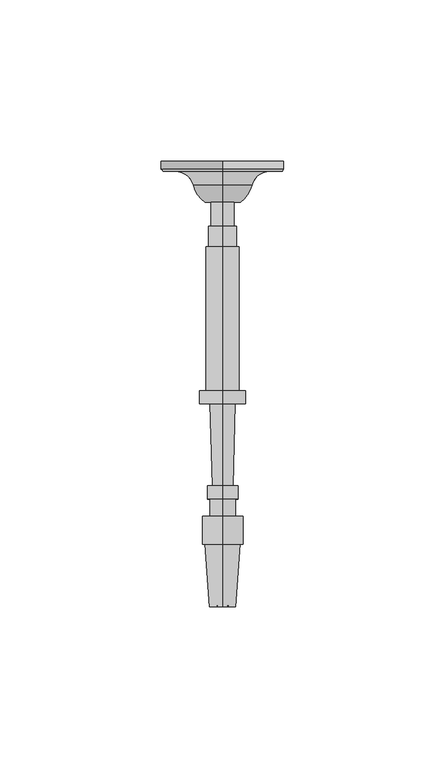
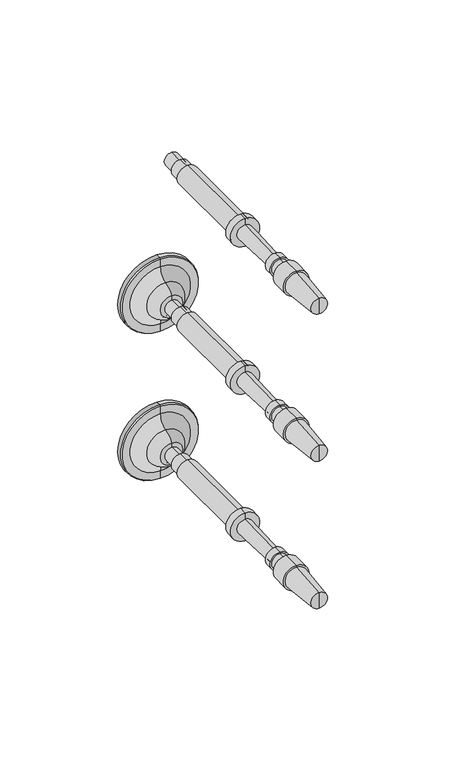
"""IFC4 building model written with IfcOpenShell, lengths in millimetres: railing geometry."""

from ifc_helpers import new_model, si_unit, point, frame, origin, place, context, project, spatial, polyline, circle_curve, ellipse_curve, trimmed, source, transform, mapped, element, save
from ifc_brep_helpers import plane_surface, cylinder_surface, revolved_surface, advanced_brep


def railing_364acd38(model_context):
    return source(origin(), model_context, "Body", "AdvancedBrep", [
        advanced_brep(
        [(4097.4568095, 20251.1146682, 33140.0282881), (4097.4568095, 20251.1146682, 33147.1720381), (4097.4568095, 20251.1146682, 33143.6001631), (4097.4568095, 20126.170779, 33143.6001631), (4097.4568095, 20125.8751146, 33147.6246235), (4097.4568095, 20125.8751146, 33139.5757028), (4097.4568095, 20145.2184786, 33149.045719), (4097.4568095, 20145.2184786, 33138.1546072), (4097.4568095, 20145.2184786, 33149.9386877), (4097.4568095, 20145.2184786, 33137.2616385), (4097.4568095, 20153.8505098, 33149.9386877), (4097.4568095, 20153.8505098, 33137.2616385), (4097.4568095, 20153.8505098, 33147.5574377), (4097.4568095, 20153.8505098, 33139.6428885), (4097.4568095, 20159.2083223, 33147.5574377), (4097.4568095, 20159.2083223, 33139.6428885), (4097.4568095, 20159.2083223, 33148.3511877), (4097.4568095, 20159.2083223, 33138.8491385), (4097.4568095, 20163.2762911, 33148.3511877), (4097.4568095, 20163.2762911, 33138.8491385), (4097.4568095, 20163.3203782, 33146.7643), (4097.4568095, 20163.3203782, 33140.4360262), (4097.4568095, 20188.7105814, 33147.4696944), (4097.4568095, 20188.7105814, 33139.7306319), (4097.4568095, 20188.7105814, 33150.7439131), (4097.4568095, 20188.7105814, 33136.4564131), (4097.4568095, 20192.6793314, 33150.7439131), (4097.4568095, 20192.6793314, 33136.4564131), (4097.4568095, 20192.6793314, 33148.7595381), (4097.4568095, 20192.6793314, 33138.4407881), (4097.4568095, 20237.4269877, 33148.7595381), (4097.4568095, 20237.4269877, 33138.4407881), (4097.4568095, 20237.4269877, 33147.9657881), (4097.4568095, 20237.4269877, 33139.2345381), (4097.4568095, 20243.7769877, 33147.9657881), (4097.4568095, 20243.7769877, 33139.2345381), (4097.4568095, 20243.7769877, 33147.1720381), (4097.4568095, 20243.7769877, 33140.0282881)],
        [
            (0, 1, circle_curve(frame((4097.4568095, 20251.1146682, 33143.6001631), z_axis=(0.0, 1.0, 0.0), x_axis=(0.0, 0.0, 1.0000000000000002)), 3.571875)),
            (1, 2),
            (2, 0),
            (1, 0, circle_curve(frame((4097.4568095, 20251.1146682, 33143.6001631), z_axis=(0.0, 1.0, 0.0), x_axis=(0.0, 0.0, 1.0000000000000002)), 3.571875)),
            (3, 4),
            (4, 5, circle_curve(frame((4097.4568095, 20125.8751146, 33143.6001631), z_axis=(0.0, -1.0, 0.0), x_axis=(0.0, 0.0, 1.0000000000000002)), 4.0244604)),
            (5, 3),
            (5, 4, circle_curve(frame((4097.4568095, 20125.8751146, 33143.6001631), z_axis=(0.0, -1.0, 0.0), x_axis=(0.0, 0.0, 1.0000000000000002)), 4.0244604)),
            (4, 6),
            (6, 7, circle_curve(frame((4097.4568095, 20145.2184786, 33143.6001631), z_axis=(0.0, -1.0, 0.0), x_axis=(0.0, 0.0, 1.0000000000000002)), 5.4455559)),
            (7, 5),
            (7, 6, circle_curve(frame((4097.4568095, 20145.2184786, 33143.6001631), z_axis=(0.0, -1.0, 0.0), x_axis=(0.0, 0.0, 1.0000000000000002)), 5.4455559)),
            (6, 8),
            (8, 9, circle_curve(frame((4097.4568095, 20145.2184786, 33143.6001631), z_axis=(0.0, -1.0, 0.0), x_axis=(0.0, 0.0, 1.0000000000000002)), 6.3385246)),
            (9, 7),
            (9, 8, circle_curve(frame((4097.4568095, 20145.2184786, 33143.6001631), z_axis=(0.0, -1.0, 0.0), x_axis=(0.0, 0.0, 1.0000000000000002)), 6.3385246)),
            (8, 10),
            (10, 11, circle_curve(frame((4097.4568095, 20153.8505098, 33143.6001631), z_axis=(0.0, -1.0, 0.0), x_axis=(0.0, 0.0, 1.0000000000000002)), 6.3385246)),
            (11, 9),
            (11, 10, circle_curve(frame((4097.4568095, 20153.8505098, 33143.6001631), z_axis=(0.0, -1.0, 0.0), x_axis=(0.0, 0.0, 1.0000000000000002)), 6.3385246)),
            (10, 12),
            (12, 13, circle_curve(frame((4097.4568095, 20153.8505098, 33143.6001631), z_axis=(0.0, -1.0, 0.0), x_axis=(0.0, 0.0, 1.0000000000000002)), 3.9572746)),
            (13, 11),
            (13, 12, circle_curve(frame((4097.4568095, 20153.8505098, 33143.6001631), z_axis=(0.0, -1.0, 0.0), x_axis=(0.0, 0.0, 1.0000000000000002)), 3.9572746)),
            (12, 14),
            (14, 15, circle_curve(frame((4097.4568095, 20159.2083223, 33143.6001631), z_axis=(0.0, -1.0, 0.0), x_axis=(0.0, 0.0, 1.0000000000000002)), 3.9572746)),
            (15, 13),
            (15, 14, circle_curve(frame((4097.4568095, 20159.2083223, 33143.6001631), z_axis=(0.0, -1.0, 0.0), x_axis=(0.0, 0.0, 1.0000000000000002)), 3.9572746)),
            (14, 16),
            (16, 17, circle_curve(frame((4097.4568095, 20159.2083223, 33143.6001631), z_axis=(0.0, -1.0, 0.0), x_axis=(0.0, 0.0, 1.0000000000000002)), 4.7510246)),
            (17, 15),
            (17, 16, circle_curve(frame((4097.4568095, 20159.2083223, 33143.6001631), z_axis=(0.0, -1.0, 0.0), x_axis=(0.0, 0.0, 1.0000000000000002)), 4.7510246)),
            (16, 18),
            (18, 19, circle_curve(frame((4097.4568095, 20163.2762911, 33143.6001631), z_axis=(0.0, -1.0, 0.0), x_axis=(0.0, 0.0, 1.0000000000000002)), 4.7510246)),
            (19, 17),
            (19, 18, circle_curve(frame((4097.4568095, 20163.2762911, 33143.6001631), z_axis=(0.0, -1.0, 0.0), x_axis=(0.0, 0.0, 1.0000000000000002)), 4.7510246)),
            (18, 20),
            (20, 21, circle_curve(frame((4097.4568095, 20163.3203782, 33143.6001631), z_axis=(0.0, -1.0, 0.0), x_axis=(0.0, 0.0, 1.0000000000000002)), 3.1641369)),
            (21, 19),
            (21, 20, circle_curve(frame((4097.4568095, 20163.3203782, 33143.6001631), z_axis=(0.0, -1.0, 0.0), x_axis=(0.0, 0.0, 1.0000000000000002)), 3.1641369)),
            (20, 22),
            (22, 23, circle_curve(frame((4097.4568095, 20188.7105814, 33143.6001631), z_axis=(0.0, -1.0, 0.0), x_axis=(0.0, 0.0, 1.0000000000000002)), 3.8695313)),
            (23, 21),
            (23, 22, circle_curve(frame((4097.4568095, 20188.7105814, 33143.6001631), z_axis=(0.0, -1.0, 0.0), x_axis=(0.0, 0.0, 1.0000000000000002)), 3.8695313)),
            (22, 24),
            (24, 25, circle_curve(frame((4097.4568095, 20188.7105814, 33143.6001631), z_axis=(0.0, -1.0, 0.0), x_axis=(0.0, 0.0, 1.0000000000000002)), 7.14375)),
            (25, 23),
            (25, 24, circle_curve(frame((4097.4568095, 20188.7105814, 33143.6001631), z_axis=(0.0, -1.0, 0.0), x_axis=(0.0, 0.0, 1.0000000000000002)), 7.14375)),
            (24, 26),
            (26, 27, circle_curve(frame((4097.4568095, 20192.6793314, 33143.6001631), z_axis=(0.0, -1.0, 0.0), x_axis=(0.0, 0.0, 1.0000000000000002)), 7.14375)),
            (27, 25),
            (27, 26, circle_curve(frame((4097.4568095, 20192.6793314, 33143.6001631), z_axis=(0.0, -1.0, 0.0), x_axis=(0.0, 0.0, 1.0000000000000002)), 7.14375)),
            (26, 28),
            (28, 29, circle_curve(frame((4097.4568095, 20192.6793314, 33143.6001631), z_axis=(0.0, -1.0, 0.0), x_axis=(0.0, 0.0, 1.0000000000000002)), 5.159375)),
            (29, 27),
            (29, 28, circle_curve(frame((4097.4568095, 20192.6793314, 33143.6001631), z_axis=(0.0, -1.0, 0.0), x_axis=(0.0, 0.0, 1.0000000000000002)), 5.159375)),
            (28, 30),
            (30, 31, circle_curve(frame((4097.4568095, 20237.4269877, 33143.6001631), z_axis=(0.0, -1.0, 0.0), x_axis=(0.0, 0.0, 1.0000000000000002)), 5.159375)),
            (31, 29),
            (31, 30, circle_curve(frame((4097.4568095, 20237.4269877, 33143.6001631), z_axis=(0.0, -1.0, 0.0), x_axis=(0.0, 0.0, 1.0000000000000002)), 5.159375)),
            (30, 32),
            (32, 33, circle_curve(frame((4097.4568095, 20237.4269877, 33143.6001631), z_axis=(0.0, -1.0, 0.0), x_axis=(0.0, 0.0, 1.0000000000000002)), 4.365625)),
            (33, 31),
            (33, 32, circle_curve(frame((4097.4568095, 20237.4269877, 33143.6001631), z_axis=(0.0, -1.0, 0.0), x_axis=(0.0, 0.0, 1.0000000000000002)), 4.365625)),
            (32, 34),
            (34, 35, circle_curve(frame((4097.4568095, 20243.7769877, 33143.6001631), z_axis=(0.0, -1.0, 0.0), x_axis=(0.0, 0.0, 1.0000000000000002)), 4.365625)),
            (35, 33),
            (35, 34, circle_curve(frame((4097.4568095, 20243.7769877, 33143.6001631), z_axis=(0.0, -1.0, 0.0), x_axis=(0.0, 0.0, 1.0000000000000002)), 4.365625)),
            (34, 36),
            (36, 37, circle_curve(frame((4097.4568095, 20243.7769877, 33143.6001631), z_axis=(0.0, -1.0, 0.0), x_axis=(0.0, 0.0, 1.0000000000000002)), 3.571875)),
            (37, 35),
            (37, 36, circle_curve(frame((4097.4568095, 20243.7769877, 33143.6001631), z_axis=(0.0, -1.0, 0.0), x_axis=(0.0, 0.0, 1.0000000000000002)), 3.571875)),
            (36, 1),
            (0, 37),
        ],
        [
            plane_surface(frame((4097.4568095, 20251.1146682, 33143.6001631), z_axis=(0.0, 1.0, 0.0), x_axis=(0.0, 0.0, 1.0))),
            revolved_surface(polyline([(4097.4568095, 20125.8751146, 33147.6246235), (4097.4568095, 20126.170779, 33143.6001631)]), (4097.4568095, 20126.170779, 33143.6001631), (0.0, -1.0, 0.0)),
            revolved_surface(polyline([(4097.4568095, 20145.2184786, 33149.045719), (4097.4568095, 20125.8751146, 33147.6246235)]), (4097.4568095, 20126.170779, 33143.6001631), (0.0, -1.0, 0.0)),
            plane_surface(frame((4097.4568095, 20145.2184786, 33143.6001631), z_axis=(0.0, -1.0, 0.0), x_axis=(0.0, 0.0, 1.0))),
            cylinder_surface(frame((4097.4568095, 20126.170779, 33143.6001631), z_axis=(0.0, -1.0, 0.0), x_axis=(0.0, 0.0, 1.0000000000000002)), 6.3385246),
            plane_surface(frame((4097.4568095, 20153.8505098, 33143.6001631), z_axis=(0.0, 1.0, 0.0), x_axis=(0.0, 0.0, 1.0))),
            cylinder_surface(frame((4097.4568095, 20126.170779, 33143.6001631), z_axis=(0.0, -1.0, 0.0), x_axis=(0.0, 0.0, 1.0000000000000002)), 3.9572746),
            plane_surface(frame((4097.4568095, 20159.2083223, 33143.6001631), z_axis=(0.0, -1.0, 0.0), x_axis=(0.0, 0.0, 1.0))),
            cylinder_surface(frame((4097.4568095, 20126.170779, 33143.6001631), z_axis=(0.0, -1.0, 0.0), x_axis=(0.0, 0.0, 1.0000000000000002)), 4.7510246),
            plane_surface(frame((4097.4568095, 20163.3203782, 33143.6001631), z_axis=(0.0, 1.0, 0.0), x_axis=(0.0, 0.0, 1.0))),
            revolved_surface(polyline([(4097.4568095, 20188.7105814, 33147.4696944), (4097.4568095, 20163.3203782, 33146.7643)]), (4097.4568095, 20126.170779, 33143.6001631), (0.0, -1.0, 0.0)),
            plane_surface(frame((4097.4568095, 20188.7105814, 33143.6001631), z_axis=(0.0, -1.0, 0.0), x_axis=(0.0, 0.0, 1.0))),
            cylinder_surface(frame((4097.4568095, 20126.170779, 33143.6001631), z_axis=(0.0, -1.0, 0.0), x_axis=(0.0, 0.0, 1.0000000000000002)), 7.14375),
            plane_surface(frame((4097.4568095, 20192.6793314, 33143.6001631), z_axis=(0.0, 1.0, 0.0), x_axis=(0.0, 0.0, 1.0))),
            cylinder_surface(frame((4097.4568095, 20126.170779, 33143.6001631), z_axis=(0.0, -1.0, 0.0), x_axis=(0.0, 0.0, 1.0000000000000002)), 5.159375),
            plane_surface(frame((4097.4568095, 20237.4269877, 33143.6001631), z_axis=(0.0, 1.0, 0.0), x_axis=(0.0, 0.0, 1.0))),
            cylinder_surface(frame((4097.4568095, 20126.170779, 33143.6001631), z_axis=(0.0, -1.0, 0.0), x_axis=(0.0, 0.0, 1.0000000000000002)), 4.365625),
            plane_surface(frame((4097.4568095, 20243.7769877, 33143.6001631), z_axis=(0.0, 1.0, 0.0), x_axis=(0.0, 0.0, 1.0))),
            cylinder_surface(frame((4097.4568095, 20126.170779, 33143.6001631), z_axis=(0.0, -1.0, 0.0), x_axis=(0.0, 0.0, 1.0000000000000002)), 3.571875),
        ],
        [
            (0, [[1, 2, 3]]),
            (0, [[4, -3, -2]]),
            (1, [[5, 6, 7]]),
            (1, [[-7, 8, -5]]),
            (2, [[-6, 9, 10, 11]]),
            (2, [[-8, -11, 12, -9]]),
            (3, [[-10, 13, 14, 15]]),
            (3, [[-12, -15, 16, -13]]),
            (4, [[-14, 17, 18, 19]]),
            (4, [[-16, -19, 20, -17]]),
            (5, [[-18, 21, 22, 23]]),
            (5, [[-20, -23, 24, -21]]),
            (6, [[-22, 25, 26, 27]]),
            (6, [[-24, -27, 28, -25]]),
            (7, [[-26, 29, 30, 31]]),
            (7, [[-28, -31, 32, -29]]),
            (8, [[-30, 33, 34, 35]]),
            (8, [[-32, -35, 36, -33]]),
            (9, [[-34, 37, 38, 39]]),
            (9, [[-36, -39, 40, -37]]),
            (10, [[-38, 41, 42, 43]]),
            (10, [[-40, -43, 44, -41]]),
            (11, [[-42, 45, 46, 47]]),
            (11, [[-44, -47, 48, -45]]),
            (12, [[-46, 49, 50, 51]]),
            (12, [[-48, -51, 52, -49]]),
            (13, [[-50, 53, 54, 55]]),
            (13, [[-52, -55, 56, -53]]),
            (14, [[-54, 57, 58, 59]]),
            (14, [[-56, -59, 60, -57]]),
            (15, [[-58, 61, 62, 63]]),
            (15, [[-60, -63, 64, -61]]),
            (16, [[-62, 65, 66, 67]]),
            (16, [[-64, -67, 68, -65]]),
            (17, [[-66, 69, 70, 71]]),
            (17, [[-68, -71, 72, -69]]),
            (18, [[-70, 73, -1, 74]]),
            (18, [[-72, -74, -4, -73]]),
        ],
    ),
        advanced_brep(
        [(4097.4568095, 20263.8073048, 33067.4001631), (4097.4568095, 20263.8073048, 33048.3501631), (4097.4568095, 20263.8073048, 33086.4501631), (4097.4568095, 20251.1146682, 33061.8769785), (4097.4568095, 20251.1146682, 33067.4001631), (4097.4568095, 20251.1146682, 33072.9233478), (4097.4568095, 20256.3907646, 33058.2720381), (4097.4568095, 20256.3907646, 33076.5282881), (4097.4568095, 20260.7563896, 33052.6458254), (4097.4568095, 20260.7563896, 33082.1545009), (4097.4568095, 20260.7563896, 33048.7762941), (4097.4568095, 20260.7563896, 33086.0240321), (4097.4568095, 20261.4260548, 33048.3501631), (4097.4568095, 20261.4260548, 33086.4501631)],
        [
            (0, 1),
            (1, 2, circle_curve(frame((4097.4568095, 20263.8073048, 33067.4001631), z_axis=(0.0, 1.0, 0.0), x_axis=(0.0, 0.0, 1.0)), 19.05)),
            (2, 0),
            (2, 1, circle_curve(frame((4097.4568095, 20263.8073048, 33067.4001631), z_axis=(0.0, 1.0, 0.0), x_axis=(0.0, 0.0, 1.0)), 19.05)),
            (3, 4),
            (4, 5),
            (5, 3, circle_curve(frame((4097.4568095, 20251.1146682, 33067.4001631), z_axis=(0.0, -1.0, 0.0), x_axis=(0.0, 0.0, 1.0)), 5.5231846)),
            (3, 5, circle_curve(frame((4097.4568095, 20251.1146682, 33067.4001631), z_axis=(0.0, -1.0, 0.0), x_axis=(0.0, 0.0, 1.0)), 5.5231846)),
            (6, 3, circle_curve(frame((4097.4568095, 20258.7151733, 33067.3374304), z_axis=(-1.0, 0.0, 0.0), x_axis=(0.0, -1.0, 0.0)), 9.3586438)),
            (5, 7, circle_curve(frame((4097.4568095, 20258.7151733, 33067.4628958), z_axis=(-1.0, 0.0, 0.0), x_axis=(0.0, -1.0, 0.0)), 9.3586438)),
            (7, 6, circle_curve(frame((4097.4568095, 20256.3907646, 33067.4001631), z_axis=(0.0, -1.0, 0.0), x_axis=(0.0, 0.0, 1.0)), 9.128125)),
            (6, 7, circle_curve(frame((4097.4568095, 20256.3907646, 33067.4001631), z_axis=(0.0, -1.0, 0.0), x_axis=(0.0, 0.0, 1.0)), 9.128125)),
            (8, 6, circle_curve(frame((4097.4568095, 20254.9481776, 33052.6458254), z_axis=(1.0, 0.0, 0.0), x_axis=(0.0, -1.0, 0.0)), 5.8082121)),
            (7, 9, circle_curve(frame((4097.4568095, 20254.9481776, 33082.1545009), z_axis=(1.0, 0.0, 0.0), x_axis=(0.0, -1.0, 0.0)), 5.8082121)),
            (9, 8, circle_curve(frame((4097.4568095, 20260.7563896, 33067.4001631), z_axis=(0.0, -1.0, 0.0), x_axis=(0.0, 0.0, 1.0)), 14.7543378)),
            (8, 9, circle_curve(frame((4097.4568095, 20260.7563896, 33067.4001631), z_axis=(0.0, -1.0, 0.0), x_axis=(0.0, 0.0, 1.0)), 14.7543378)),
            (10, 8),
            (9, 11),
            (11, 10, circle_curve(frame((4097.4568095, 20260.7563896, 33067.4001631), z_axis=(0.0, -1.0, 0.0), x_axis=(0.0, 0.0, 1.0)), 18.623869)),
            (10, 11, circle_curve(frame((4097.4568095, 20260.7563896, 33067.4001631), z_axis=(0.0, -1.0, 0.0), x_axis=(0.0, 0.0, 1.0)), 18.623869)),
            (12, 10),
            (11, 13),
            (13, 12, circle_curve(frame((4097.4568095, 20261.4260548, 33067.4001631), z_axis=(0.0, -1.0, 0.0), x_axis=(0.0, 0.0, 1.0)), 19.05)),
            (12, 13, circle_curve(frame((4097.4568095, 20261.4260548, 33067.4001631), z_axis=(0.0, -1.0, 0.0), x_axis=(0.0, 0.0, 1.0)), 19.05)),
            (1, 12),
            (13, 2),
        ],
        [
            plane_surface(frame((4097.4568095, 20263.8073048, 33067.4001631), z_axis=(0.0, 1.0, 0.0), x_axis=(0.0, 0.0, 1.0))),
            plane_surface(frame((4097.4568095, 20251.1146682, 33067.4001631), z_axis=(0.0, -1.0, 0.0), x_axis=(0.0, 0.0, 1.0))),
            revolved_surface(trimmed(ellipse_curve(frame((4097.4568095, 20258.7151733, 33067.4628958), z_axis=(-1.0, 0.0, 0.0), x_axis=(0.0, -1.0, 0.0)), 9.3586438, 9.3586438), [point((4097.4568095, 20251.1146682, 33072.9233478))], [point((4097.4568095, 20256.3907646, 33076.5282881))], True, "CARTESIAN"), (4097.4568095, 20263.8073048, 33067.4001631), (0.0, 1.0, 0.0)),
            revolved_surface(trimmed(ellipse_curve(frame((4097.4568095, 20254.9481776, 33082.1545009), z_axis=(1.0, 0.0, 0.0), x_axis=(0.0, -1.0, 0.0)), 5.8082121, 5.8082121), [point((4097.4568095, 20256.3907646, 33076.5282881))], [point((4097.4568095, 20260.7563896, 33082.1545009))], True, "CARTESIAN"), (4097.4568095, 20263.8073048, 33067.4001631), (0.0, 1.0, 0.0)),
            plane_surface(frame((4097.4568095, 20260.7563896, 33067.4001631), z_axis=(0.0, -1.0, 0.0), x_axis=(0.0, 0.0, 1.0))),
            revolved_surface(polyline([(4097.4568095, 20260.7563896, 33086.0240321), (4097.4568095, 20261.4260548, 33086.4501631)]), (4097.4568095, 20263.8073048, 33067.4001631), (0.0, 1.0, 0.0)),
            cylinder_surface(frame((4097.4568095, 20263.8073048, 33067.4001631), z_axis=(0.0, 1.0, 0.0), x_axis=(0.0, 0.0, 1.0)), 19.05),
        ],
        [
            (0, [[1, 2, 3]]),
            (0, [[-3, 4, -1]]),
            (1, [[5, 6, 7]]),
            (1, [[-6, -5, 8]]),
            (2, [[9, -7, 10, 11]]),
            (2, [[-10, -8, -9, 12]]),
            (3, [[13, -11, 14, 15]]),
            (3, [[-14, -12, -13, 16]]),
            (4, [[17, -15, 18, 19]]),
            (4, [[-18, -16, -17, 20]]),
            (5, [[21, -19, 22, 23]]),
            (5, [[-22, -20, -21, 24]]),
            (6, [[25, -23, 26, -2]]),
            (6, [[-26, -24, -25, -4]]),
        ],
    ),
        advanced_brep(
        [(4097.4568095, 20251.1146682, 33063.8282881), (4097.4568095, 20251.1146682, 33070.9720381), (4097.4568095, 20251.1146682, 33067.4001631), (4097.4568095, 20126.170779, 33067.4001631), (4097.4568095, 20125.8751146, 33071.4246235), (4097.4568095, 20125.8751146, 33063.3757028), (4097.4568095, 20145.2184786, 33072.845719), (4097.4568095, 20145.2184786, 33061.9546072), (4097.4568095, 20145.2184786, 33073.7386877), (4097.4568095, 20145.2184786, 33061.0616385), (4097.4568095, 20153.8505098, 33073.7386877), (4097.4568095, 20153.8505098, 33061.0616385), (4097.4568095, 20153.8505098, 33071.3574377), (4097.4568095, 20153.8505098, 33063.4428885), (4097.4568095, 20159.2083223, 33071.3574377), (4097.4568095, 20159.2083223, 33063.4428885), (4097.4568095, 20159.2083223, 33072.1511877), (4097.4568095, 20159.2083223, 33062.6491385), (4097.4568095, 20163.2762911, 33072.1511877), (4097.4568095, 20163.2762911, 33062.6491385), (4097.4568095, 20163.3203782, 33070.5643), (4097.4568095, 20163.3203782, 33064.2360262), (4097.4568095, 20188.7105814, 33071.2696944), (4097.4568095, 20188.7105814, 33063.5306319), (4097.4568095, 20188.7105814, 33074.5439131), (4097.4568095, 20188.7105814, 33060.2564131), (4097.4568095, 20192.6793314, 33074.5439131), (4097.4568095, 20192.6793314, 33060.2564131), (4097.4568095, 20192.6793314, 33072.5595381), (4097.4568095, 20192.6793314, 33062.2407881), (4097.4568095, 20237.4269877, 33072.5595381), (4097.4568095, 20237.4269877, 33062.2407881), (4097.4568095, 20237.4269877, 33071.7657881), (4097.4568095, 20237.4269877, 33063.0345381), (4097.4568095, 20243.7769877, 33071.7657881), (4097.4568095, 20243.7769877, 33063.0345381), (4097.4568095, 20243.7769877, 33070.9720381), (4097.4568095, 20243.7769877, 33063.8282881)],
        [
            (0, 1, circle_curve(frame((4097.4568095, 20251.1146682, 33067.4001631), z_axis=(0.0, 1.0, 0.0), x_axis=(0.0, 0.0, 1.0000000000000002)), 3.571875)),
            (1, 2),
            (2, 0),
            (1, 0, circle_curve(frame((4097.4568095, 20251.1146682, 33067.4001631), z_axis=(0.0, 1.0, 0.0), x_axis=(0.0, 0.0, 1.0000000000000002)), 3.571875)),
            (3, 4),
            (4, 5, circle_curve(frame((4097.4568095, 20125.8751146, 33067.4001631), z_axis=(0.0, -1.0, 0.0), x_axis=(0.0, 0.0, 1.0000000000000002)), 4.0244604)),
            (5, 3),
            (5, 4, circle_curve(frame((4097.4568095, 20125.8751146, 33067.4001631), z_axis=(0.0, -1.0, 0.0), x_axis=(0.0, 0.0, 1.0000000000000002)), 4.0244604)),
            (4, 6),
            (6, 7, circle_curve(frame((4097.4568095, 20145.2184786, 33067.4001631), z_axis=(0.0, -1.0, 0.0), x_axis=(0.0, 0.0, 1.0000000000000002)), 5.4455559)),
            (7, 5),
            (7, 6, circle_curve(frame((4097.4568095, 20145.2184786, 33067.4001631), z_axis=(0.0, -1.0, 0.0), x_axis=(0.0, 0.0, 1.0000000000000002)), 5.4455559)),
            (6, 8),
            (8, 9, circle_curve(frame((4097.4568095, 20145.2184786, 33067.4001631), z_axis=(0.0, -1.0, 0.0), x_axis=(0.0, 0.0, 1.0000000000000002)), 6.3385246)),
            (9, 7),
            (9, 8, circle_curve(frame((4097.4568095, 20145.2184786, 33067.4001631), z_axis=(0.0, -1.0, 0.0), x_axis=(0.0, 0.0, 1.0000000000000002)), 6.3385246)),
            (8, 10),
            (10, 11, circle_curve(frame((4097.4568095, 20153.8505098, 33067.4001631), z_axis=(0.0, -1.0, 0.0), x_axis=(0.0, 0.0, 1.0000000000000002)), 6.3385246)),
            (11, 9),
            (11, 10, circle_curve(frame((4097.4568095, 20153.8505098, 33067.4001631), z_axis=(0.0, -1.0, 0.0), x_axis=(0.0, 0.0, 1.0000000000000002)), 6.3385246)),
            (10, 12),
            (12, 13, circle_curve(frame((4097.4568095, 20153.8505098, 33067.4001631), z_axis=(0.0, -1.0, 0.0), x_axis=(0.0, 0.0, 1.0000000000000002)), 3.9572746)),
            (13, 11),
            (13, 12, circle_curve(frame((4097.4568095, 20153.8505098, 33067.4001631), z_axis=(0.0, -1.0, 0.0), x_axis=(0.0, 0.0, 1.0000000000000002)), 3.9572746)),
            (12, 14),
            (14, 15, circle_curve(frame((4097.4568095, 20159.2083223, 33067.4001631), z_axis=(0.0, -1.0, 0.0), x_axis=(0.0, 0.0, 1.0000000000000002)), 3.9572746)),
            (15, 13),
            (15, 14, circle_curve(frame((4097.4568095, 20159.2083223, 33067.4001631), z_axis=(0.0, -1.0, 0.0), x_axis=(0.0, 0.0, 1.0000000000000002)), 3.9572746)),
            (14, 16),
            (16, 17, circle_curve(frame((4097.4568095, 20159.2083223, 33067.4001631), z_axis=(0.0, -1.0, 0.0), x_axis=(0.0, 0.0, 1.0000000000000002)), 4.7510246)),
            (17, 15),
            (17, 16, circle_curve(frame((4097.4568095, 20159.2083223, 33067.4001631), z_axis=(0.0, -1.0, 0.0), x_axis=(0.0, 0.0, 1.0000000000000002)), 4.7510246)),
            (16, 18),
            (18, 19, circle_curve(frame((4097.4568095, 20163.2762911, 33067.4001631), z_axis=(0.0, -1.0, 0.0), x_axis=(0.0, 0.0, 1.0000000000000002)), 4.7510246)),
            (19, 17),
            (19, 18, circle_curve(frame((4097.4568095, 20163.2762911, 33067.4001631), z_axis=(0.0, -1.0, 0.0), x_axis=(0.0, 0.0, 1.0000000000000002)), 4.7510246)),
            (18, 20),
            (20, 21, circle_curve(frame((4097.4568095, 20163.3203782, 33067.4001631), z_axis=(0.0, -1.0, 0.0), x_axis=(0.0, 0.0, 1.0000000000000002)), 3.1641369)),
            (21, 19),
            (21, 20, circle_curve(frame((4097.4568095, 20163.3203782, 33067.4001631), z_axis=(0.0, -1.0, 0.0), x_axis=(0.0, 0.0, 1.0000000000000002)), 3.1641369)),
            (20, 22),
            (22, 23, circle_curve(frame((4097.4568095, 20188.7105814, 33067.4001631), z_axis=(0.0, -1.0, 0.0), x_axis=(0.0, 0.0, 1.0000000000000002)), 3.8695313)),
            (23, 21),
            (23, 22, circle_curve(frame((4097.4568095, 20188.7105814, 33067.4001631), z_axis=(0.0, -1.0, 0.0), x_axis=(0.0, 0.0, 1.0000000000000002)), 3.8695313)),
            (22, 24),
            (24, 25, circle_curve(frame((4097.4568095, 20188.7105814, 33067.4001631), z_axis=(0.0, -1.0, 0.0), x_axis=(0.0, 0.0, 1.0000000000000002)), 7.14375)),
            (25, 23),
            (25, 24, circle_curve(frame((4097.4568095, 20188.7105814, 33067.4001631), z_axis=(0.0, -1.0, 0.0), x_axis=(0.0, 0.0, 1.0000000000000002)), 7.14375)),
            (24, 26),
            (26, 27, circle_curve(frame((4097.4568095, 20192.6793314, 33067.4001631), z_axis=(0.0, -1.0, 0.0), x_axis=(0.0, 0.0, 1.0000000000000002)), 7.14375)),
            (27, 25),
            (27, 26, circle_curve(frame((4097.4568095, 20192.6793314, 33067.4001631), z_axis=(0.0, -1.0, 0.0), x_axis=(0.0, 0.0, 1.0000000000000002)), 7.14375)),
            (26, 28),
            (28, 29, circle_curve(frame((4097.4568095, 20192.6793314, 33067.4001631), z_axis=(0.0, -1.0, 0.0), x_axis=(0.0, 0.0, 1.0000000000000002)), 5.159375)),
            (29, 27),
            (29, 28, circle_curve(frame((4097.4568095, 20192.6793314, 33067.4001631), z_axis=(0.0, -1.0, 0.0), x_axis=(0.0, 0.0, 1.0000000000000002)), 5.159375)),
            (28, 30),
            (30, 31, circle_curve(frame((4097.4568095, 20237.4269877, 33067.4001631), z_axis=(0.0, -1.0, 0.0), x_axis=(0.0, 0.0, 1.0000000000000002)), 5.159375)),
            (31, 29),
            (31, 30, circle_curve(frame((4097.4568095, 20237.4269877, 33067.4001631), z_axis=(0.0, -1.0, 0.0), x_axis=(0.0, 0.0, 1.0000000000000002)), 5.159375)),
            (30, 32),
            (32, 33, circle_curve(frame((4097.4568095, 20237.4269877, 33067.4001631), z_axis=(0.0, -1.0, 0.0), x_axis=(0.0, 0.0, 1.0000000000000002)), 4.365625)),
            (33, 31),
            (33, 32, circle_curve(frame((4097.4568095, 20237.4269877, 33067.4001631), z_axis=(0.0, -1.0, 0.0), x_axis=(0.0, 0.0, 1.0000000000000002)), 4.365625)),
            (32, 34),
            (34, 35, circle_curve(frame((4097.4568095, 20243.7769877, 33067.4001631), z_axis=(0.0, -1.0, 0.0), x_axis=(0.0, 0.0, 1.0000000000000002)), 4.365625)),
            (35, 33),
            (35, 34, circle_curve(frame((4097.4568095, 20243.7769877, 33067.4001631), z_axis=(0.0, -1.0, 0.0), x_axis=(0.0, 0.0, 1.0000000000000002)), 4.365625)),
            (34, 36),
            (36, 37, circle_curve(frame((4097.4568095, 20243.7769877, 33067.4001631), z_axis=(0.0, -1.0, 0.0), x_axis=(0.0, 0.0, 1.0000000000000002)), 3.571875)),
            (37, 35),
            (37, 36, circle_curve(frame((4097.4568095, 20243.7769877, 33067.4001631), z_axis=(0.0, -1.0, 0.0), x_axis=(0.0, 0.0, 1.0000000000000002)), 3.571875)),
            (36, 1),
            (0, 37),
        ],
        [
            plane_surface(frame((4097.4568095, 20251.1146682, 33067.4001631), z_axis=(0.0, 1.0, 0.0), x_axis=(0.0, 0.0, 1.0))),
            revolved_surface(polyline([(4097.4568095, 20125.8751146, 33071.4246235), (4097.4568095, 20126.170779, 33067.4001631)]), (4097.4568095, 20126.170779, 33067.4001631), (0.0, -1.0, 0.0)),
            revolved_surface(polyline([(4097.4568095, 20145.2184786, 33072.845719), (4097.4568095, 20125.8751146, 33071.4246235)]), (4097.4568095, 20126.170779, 33067.4001631), (0.0, -1.0, 0.0)),
            plane_surface(frame((4097.4568095, 20145.2184786, 33067.4001631), z_axis=(0.0, -1.0, 0.0), x_axis=(0.0, 0.0, 1.0))),
            cylinder_surface(frame((4097.4568095, 20126.170779, 33067.4001631), z_axis=(0.0, -1.0, 0.0), x_axis=(0.0, 0.0, 1.0000000000000002)), 6.3385246),
            plane_surface(frame((4097.4568095, 20153.8505098, 33067.4001631), z_axis=(0.0, 1.0, 0.0), x_axis=(0.0, 0.0, 1.0))),
            cylinder_surface(frame((4097.4568095, 20126.170779, 33067.4001631), z_axis=(0.0, -1.0, 0.0), x_axis=(0.0, 0.0, 1.0000000000000002)), 3.9572746),
            plane_surface(frame((4097.4568095, 20159.2083223, 33067.4001631), z_axis=(0.0, -1.0, 0.0), x_axis=(0.0, 0.0, 1.0))),
            cylinder_surface(frame((4097.4568095, 20126.170779, 33067.4001631), z_axis=(0.0, -1.0, 0.0), x_axis=(0.0, 0.0, 1.0000000000000002)), 4.7510246),
            plane_surface(frame((4097.4568095, 20163.3203782, 33067.4001631), z_axis=(0.0, 1.0, 0.0), x_axis=(0.0, 0.0, 1.0))),
            revolved_surface(polyline([(4097.4568095, 20188.7105814, 33071.2696944), (4097.4568095, 20163.3203782, 33070.5643)]), (4097.4568095, 20126.170779, 33067.4001631), (0.0, -1.0, 0.0)),
            plane_surface(frame((4097.4568095, 20188.7105814, 33067.4001631), z_axis=(0.0, -1.0, 0.0), x_axis=(0.0, 0.0, 1.0))),
            cylinder_surface(frame((4097.4568095, 20126.170779, 33067.4001631), z_axis=(0.0, -1.0, 0.0), x_axis=(0.0, 0.0, 1.0000000000000002)), 7.14375),
            plane_surface(frame((4097.4568095, 20192.6793314, 33067.4001631), z_axis=(0.0, 1.0, 0.0), x_axis=(0.0, 0.0, 1.0))),
            cylinder_surface(frame((4097.4568095, 20126.170779, 33067.4001631), z_axis=(0.0, -1.0, 0.0), x_axis=(0.0, 0.0, 1.0000000000000002)), 5.159375),
            plane_surface(frame((4097.4568095, 20237.4269877, 33067.4001631), z_axis=(0.0, 1.0, 0.0), x_axis=(0.0, 0.0, 1.0))),
            cylinder_surface(frame((4097.4568095, 20126.170779, 33067.4001631), z_axis=(0.0, -1.0, 0.0), x_axis=(0.0, 0.0, 1.0000000000000002)), 4.365625),
            plane_surface(frame((4097.4568095, 20243.7769877, 33067.4001631), z_axis=(0.0, 1.0, 0.0), x_axis=(0.0, 0.0, 1.0))),
            cylinder_surface(frame((4097.4568095, 20126.170779, 33067.4001631), z_axis=(0.0, -1.0, 0.0), x_axis=(0.0, 0.0, 1.0000000000000002)), 3.571875),
        ],
        [
            (0, [[1, 2, 3]]),
            (0, [[4, -3, -2]]),
            (1, [[5, 6, 7]]),
            (1, [[-7, 8, -5]]),
            (2, [[-6, 9, 10, 11]]),
            (2, [[-8, -11, 12, -9]]),
            (3, [[-10, 13, 14, 15]]),
            (3, [[-12, -15, 16, -13]]),
            (4, [[-14, 17, 18, 19]]),
            (4, [[-16, -19, 20, -17]]),
            (5, [[-18, 21, 22, 23]]),
            (5, [[-20, -23, 24, -21]]),
            (6, [[-22, 25, 26, 27]]),
            (6, [[-24, -27, 28, -25]]),
            (7, [[-26, 29, 30, 31]]),
            (7, [[-28, -31, 32, -29]]),
            (8, [[-30, 33, 34, 35]]),
            (8, [[-32, -35, 36, -33]]),
            (9, [[-34, 37, 38, 39]]),
            (9, [[-36, -39, 40, -37]]),
            (10, [[-38, 41, 42, 43]]),
            (10, [[-40, -43, 44, -41]]),
            (11, [[-42, 45, 46, 47]]),
            (11, [[-44, -47, 48, -45]]),
            (12, [[-46, 49, 50, 51]]),
            (12, [[-48, -51, 52, -49]]),
            (13, [[-50, 53, 54, 55]]),
            (13, [[-52, -55, 56, -53]]),
            (14, [[-54, 57, 58, 59]]),
            (14, [[-56, -59, 60, -57]]),
            (15, [[-58, 61, 62, 63]]),
            (15, [[-60, -63, 64, -61]]),
            (16, [[-62, 65, 66, 67]]),
            (16, [[-64, -67, 68, -65]]),
            (17, [[-66, 69, 70, 71]]),
            (17, [[-68, -71, 72, -69]]),
            (18, [[-70, 73, -1, 74]]),
            (18, [[-72, -74, -4, -73]]),
        ],
    ),
        advanced_brep(
        [(4097.4568095, 20263.8073048, 32991.2001631), (4097.4568095, 20263.8073048, 32972.1501631), (4097.4568095, 20263.8073048, 33010.2501631), (4097.4568095, 20251.1146682, 32985.6769785), (4097.4568095, 20251.1146682, 32991.2001631), (4097.4568095, 20251.1146682, 32996.7233478), (4097.4568095, 20256.3907646, 32982.0720381), (4097.4568095, 20256.3907646, 33000.3282881), (4097.4568095, 20260.7563896, 32976.4458254), (4097.4568095, 20260.7563896, 33005.9545009), (4097.4568095, 20260.7563896, 32972.5762941), (4097.4568095, 20260.7563896, 33009.8240321), (4097.4568095, 20261.4260548, 32972.1501631), (4097.4568095, 20261.4260548, 33010.2501631)],
        [
            (0, 1),
            (1, 2, circle_curve(frame((4097.4568095, 20263.8073048, 32991.2001631), z_axis=(0.0, 1.0, 0.0), x_axis=(0.0, 0.0, 1.0)), 19.05)),
            (2, 0),
            (2, 1, circle_curve(frame((4097.4568095, 20263.8073048, 32991.2001631), z_axis=(0.0, 1.0, 0.0), x_axis=(0.0, 0.0, 1.0)), 19.05)),
            (3, 4),
            (4, 5),
            (5, 3, circle_curve(frame((4097.4568095, 20251.1146682, 32991.2001631), z_axis=(0.0, -1.0, 0.0), x_axis=(0.0, 0.0, 1.0)), 5.5231846)),
            (3, 5, circle_curve(frame((4097.4568095, 20251.1146682, 32991.2001631), z_axis=(0.0, -1.0, 0.0), x_axis=(0.0, 0.0, 1.0)), 5.5231846)),
            (6, 3, circle_curve(frame((4097.4568095, 20258.7151733, 32991.1374304), z_axis=(-1.0, 0.0, 0.0), x_axis=(0.0, -1.0, 0.0)), 9.3586438)),
            (5, 7, circle_curve(frame((4097.4568095, 20258.7151733, 32991.2628958), z_axis=(-1.0, 0.0, 0.0), x_axis=(0.0, -1.0, 0.0)), 9.3586438)),
            (7, 6, circle_curve(frame((4097.4568095, 20256.3907646, 32991.2001631), z_axis=(0.0, -1.0, 0.0), x_axis=(0.0, 0.0, 1.0)), 9.128125)),
            (6, 7, circle_curve(frame((4097.4568095, 20256.3907646, 32991.2001631), z_axis=(0.0, -1.0, 0.0), x_axis=(0.0, 0.0, 1.0)), 9.128125)),
            (8, 6, circle_curve(frame((4097.4568095, 20254.9481776, 32976.4458254), z_axis=(1.0, 0.0, 0.0), x_axis=(0.0, -1.0, 0.0)), 5.8082121)),
            (7, 9, circle_curve(frame((4097.4568095, 20254.9481776, 33005.9545009), z_axis=(1.0, 0.0, 0.0), x_axis=(0.0, -1.0, 0.0)), 5.8082121)),
            (9, 8, circle_curve(frame((4097.4568095, 20260.7563896, 32991.2001631), z_axis=(0.0, -1.0, 0.0), x_axis=(0.0, 0.0, 1.0)), 14.7543378)),
            (8, 9, circle_curve(frame((4097.4568095, 20260.7563896, 32991.2001631), z_axis=(0.0, -1.0, 0.0), x_axis=(0.0, 0.0, 1.0)), 14.7543378)),
            (10, 8),
            (9, 11),
            (11, 10, circle_curve(frame((4097.4568095, 20260.7563896, 32991.2001631), z_axis=(0.0, -1.0, 0.0), x_axis=(0.0, 0.0, 1.0)), 18.623869)),
            (10, 11, circle_curve(frame((4097.4568095, 20260.7563896, 32991.2001631), z_axis=(0.0, -1.0, 0.0), x_axis=(0.0, 0.0, 1.0)), 18.623869)),
            (12, 10),
            (11, 13),
            (13, 12, circle_curve(frame((4097.4568095, 20261.4260548, 32991.2001631), z_axis=(0.0, -1.0, 0.0), x_axis=(0.0, 0.0, 1.0)), 19.05)),
            (12, 13, circle_curve(frame((4097.4568095, 20261.4260548, 32991.2001631), z_axis=(0.0, -1.0, 0.0), x_axis=(0.0, 0.0, 1.0)), 19.05)),
            (1, 12),
            (13, 2),
        ],
        [
            plane_surface(frame((4097.4568095, 20263.8073048, 32991.2001631), z_axis=(0.0, 1.0, 0.0), x_axis=(0.0, 0.0, 1.0))),
            plane_surface(frame((4097.4568095, 20251.1146682, 32991.2001631), z_axis=(0.0, -1.0, 0.0), x_axis=(0.0, 0.0, 1.0))),
            revolved_surface(trimmed(ellipse_curve(frame((4097.4568095, 20258.7151733, 32991.2628958), z_axis=(-1.0, 0.0, 0.0), x_axis=(0.0, -1.0, 0.0)), 9.3586438, 9.3586438), [point((4097.4568095, 20251.1146682, 32996.7233478))], [point((4097.4568095, 20256.3907646, 33000.3282881))], True, "CARTESIAN"), (4097.4568095, 20263.8073048, 32991.2001631), (0.0, 1.0, 0.0)),
            revolved_surface(trimmed(ellipse_curve(frame((4097.4568095, 20254.9481776, 33005.9545009), z_axis=(1.0, 0.0, 0.0), x_axis=(0.0, -1.0, 0.0)), 5.8082121, 5.8082121), [point((4097.4568095, 20256.3907646, 33000.3282881))], [point((4097.4568095, 20260.7563896, 33005.9545009))], True, "CARTESIAN"), (4097.4568095, 20263.8073048, 32991.2001631), (0.0, 1.0, 0.0)),
            plane_surface(frame((4097.4568095, 20260.7563896, 32991.2001631), z_axis=(0.0, -1.0, 0.0), x_axis=(0.0, 0.0, 1.0))),
            revolved_surface(polyline([(4097.4568095, 20260.7563896, 33009.8240321), (4097.4568095, 20261.4260548, 33010.2501631)]), (4097.4568095, 20263.8073048, 32991.2001631), (0.0, 1.0, 0.0)),
            cylinder_surface(frame((4097.4568095, 20263.8073048, 32991.2001631), z_axis=(0.0, 1.0, 0.0), x_axis=(0.0, 0.0, 1.0)), 19.05),
        ],
        [
            (0, [[1, 2, 3]]),
            (0, [[-3, 4, -1]]),
            (1, [[5, 6, 7]]),
            (1, [[-6, -5, 8]]),
            (2, [[9, -7, 10, 11]]),
            (2, [[-10, -8, -9, 12]]),
            (3, [[13, -11, 14, 15]]),
            (3, [[-14, -12, -13, 16]]),
            (4, [[17, -15, 18, 19]]),
            (4, [[-18, -16, -17, 20]]),
            (5, [[21, -19, 22, 23]]),
            (5, [[-22, -20, -21, 24]]),
            (6, [[25, -23, 26, -2]]),
            (6, [[-26, -24, -25, -4]]),
        ],
    ),
        advanced_brep(
        [(4097.4568095, 20251.1146682, 32987.6282881), (4097.4568095, 20251.1146682, 32994.7720381), (4097.4568095, 20251.1146682, 32991.2001631), (4097.4568095, 20126.170779, 32991.2001631), (4097.4568095, 20125.8751146, 32995.2246235), (4097.4568095, 20125.8751146, 32987.1757028), (4097.4568095, 20145.2184786, 32996.645719), (4097.4568095, 20145.2184786, 32985.7546072), (4097.4568095, 20145.2184786, 32997.5386877), (4097.4568095, 20145.2184786, 32984.8616385), (4097.4568095, 20153.8505098, 32997.5386877), (4097.4568095, 20153.8505098, 32984.8616385), (4097.4568095, 20153.8505098, 32995.1574377), (4097.4568095, 20153.8505098, 32987.2428885), (4097.4568095, 20159.2083223, 32995.1574377), (4097.4568095, 20159.2083223, 32987.2428885), (4097.4568095, 20159.2083223, 32995.9511877), (4097.4568095, 20159.2083223, 32986.4491385), (4097.4568095, 20163.2762911, 32995.9511877), (4097.4568095, 20163.2762911, 32986.4491385), (4097.4568095, 20163.3203782, 32994.3643), (4097.4568095, 20163.3203782, 32988.0360262), (4097.4568095, 20188.7105814, 32995.0696944), (4097.4568095, 20188.7105814, 32987.3306319), (4097.4568095, 20188.7105814, 32998.3439131), (4097.4568095, 20188.7105814, 32984.0564131), (4097.4568095, 20192.6793314, 32998.3439131), (4097.4568095, 20192.6793314, 32984.0564131), (4097.4568095, 20192.6793314, 32996.3595381), (4097.4568095, 20192.6793314, 32986.0407881), (4097.4568095, 20237.4269877, 32996.3595381), (4097.4568095, 20237.4269877, 32986.0407881), (4097.4568095, 20237.4269877, 32995.5657881), (4097.4568095, 20237.4269877, 32986.8345381), (4097.4568095, 20243.7769877, 32995.5657881), (4097.4568095, 20243.7769877, 32986.8345381), (4097.4568095, 20243.7769877, 32994.7720381), (4097.4568095, 20243.7769877, 32987.6282881)],
        [
            (0, 1, circle_curve(frame((4097.4568095, 20251.1146682, 32991.2001631), z_axis=(0.0, 1.0, 0.0), x_axis=(0.0, 0.0, 1.0000000000000002)), 3.571875)),
            (1, 2),
            (2, 0),
            (1, 0, circle_curve(frame((4097.4568095, 20251.1146682, 32991.2001631), z_axis=(0.0, 1.0, 0.0), x_axis=(0.0, 0.0, 1.0000000000000002)), 3.571875)),
            (3, 4),
            (4, 5, circle_curve(frame((4097.4568095, 20125.8751146, 32991.2001631), z_axis=(0.0, -1.0, 0.0), x_axis=(0.0, 0.0, 1.0000000000000002)), 4.0244604)),
            (5, 3),
            (5, 4, circle_curve(frame((4097.4568095, 20125.8751146, 32991.2001631), z_axis=(0.0, -1.0, 0.0), x_axis=(0.0, 0.0, 1.0000000000000002)), 4.0244604)),
            (4, 6),
            (6, 7, circle_curve(frame((4097.4568095, 20145.2184786, 32991.2001631), z_axis=(0.0, -1.0, 0.0), x_axis=(0.0, 0.0, 1.0000000000000002)), 5.4455559)),
            (7, 5),
            (7, 6, circle_curve(frame((4097.4568095, 20145.2184786, 32991.2001631), z_axis=(0.0, -1.0, 0.0), x_axis=(0.0, 0.0, 1.0000000000000002)), 5.4455559)),
            (6, 8),
            (8, 9, circle_curve(frame((4097.4568095, 20145.2184786, 32991.2001631), z_axis=(0.0, -1.0, 0.0), x_axis=(0.0, 0.0, 1.0000000000000002)), 6.3385246)),
            (9, 7),
            (9, 8, circle_curve(frame((4097.4568095, 20145.2184786, 32991.2001631), z_axis=(0.0, -1.0, 0.0), x_axis=(0.0, 0.0, 1.0000000000000002)), 6.3385246)),
            (8, 10),
            (10, 11, circle_curve(frame((4097.4568095, 20153.8505098, 32991.2001631), z_axis=(0.0, -1.0, 0.0), x_axis=(0.0, 0.0, 1.0000000000000002)), 6.3385246)),
            (11, 9),
            (11, 10, circle_curve(frame((4097.4568095, 20153.8505098, 32991.2001631), z_axis=(0.0, -1.0, 0.0), x_axis=(0.0, 0.0, 1.0000000000000002)), 6.3385246)),
            (10, 12),
            (12, 13, circle_curve(frame((4097.4568095, 20153.8505098, 32991.2001631), z_axis=(0.0, -1.0, 0.0), x_axis=(0.0, 0.0, 1.0000000000000002)), 3.9572746)),
            (13, 11),
            (13, 12, circle_curve(frame((4097.4568095, 20153.8505098, 32991.2001631), z_axis=(0.0, -1.0, 0.0), x_axis=(0.0, 0.0, 1.0000000000000002)), 3.9572746)),
            (12, 14),
            (14, 15, circle_curve(frame((4097.4568095, 20159.2083223, 32991.2001631), z_axis=(0.0, -1.0, 0.0), x_axis=(0.0, 0.0, 1.0000000000000002)), 3.9572746)),
            (15, 13),
            (15, 14, circle_curve(frame((4097.4568095, 20159.2083223, 32991.2001631), z_axis=(0.0, -1.0, 0.0), x_axis=(0.0, 0.0, 1.0000000000000002)), 3.9572746)),
            (14, 16),
            (16, 17, circle_curve(frame((4097.4568095, 20159.2083223, 32991.2001631), z_axis=(0.0, -1.0, 0.0), x_axis=(0.0, 0.0, 1.0000000000000002)), 4.7510246)),
            (17, 15),
            (17, 16, circle_curve(frame((4097.4568095, 20159.2083223, 32991.2001631), z_axis=(0.0, -1.0, 0.0), x_axis=(0.0, 0.0, 1.0000000000000002)), 4.7510246)),
            (16, 18),
            (18, 19, circle_curve(frame((4097.4568095, 20163.2762911, 32991.2001631), z_axis=(0.0, -1.0, 0.0), x_axis=(0.0, 0.0, 1.0000000000000002)), 4.7510246)),
            (19, 17),
            (19, 18, circle_curve(frame((4097.4568095, 20163.2762911, 32991.2001631), z_axis=(0.0, -1.0, 0.0), x_axis=(0.0, 0.0, 1.0000000000000002)), 4.7510246)),
            (18, 20),
            (20, 21, circle_curve(frame((4097.4568095, 20163.3203782, 32991.2001631), z_axis=(0.0, -1.0, 0.0), x_axis=(0.0, 0.0, 1.0000000000000002)), 3.1641369)),
            (21, 19),
            (21, 20, circle_curve(frame((4097.4568095, 20163.3203782, 32991.2001631), z_axis=(0.0, -1.0, 0.0), x_axis=(0.0, 0.0, 1.0000000000000002)), 3.1641369)),
            (20, 22),
            (22, 23, circle_curve(frame((4097.4568095, 20188.7105814, 32991.2001631), z_axis=(0.0, -1.0, 0.0), x_axis=(0.0, 0.0, 1.0000000000000002)), 3.8695313)),
            (23, 21),
            (23, 22, circle_curve(frame((4097.4568095, 20188.7105814, 32991.2001631), z_axis=(0.0, -1.0, 0.0), x_axis=(0.0, 0.0, 1.0000000000000002)), 3.8695313)),
            (22, 24),
            (24, 25, circle_curve(frame((4097.4568095, 20188.7105814, 32991.2001631), z_axis=(0.0, -1.0, 0.0), x_axis=(0.0, 0.0, 1.0000000000000002)), 7.14375)),
            (25, 23),
            (25, 24, circle_curve(frame((4097.4568095, 20188.7105814, 32991.2001631), z_axis=(0.0, -1.0, 0.0), x_axis=(0.0, 0.0, 1.0000000000000002)), 7.14375)),
            (24, 26),
            (26, 27, circle_curve(frame((4097.4568095, 20192.6793314, 32991.2001631), z_axis=(0.0, -1.0, 0.0), x_axis=(0.0, 0.0, 1.0000000000000002)), 7.14375)),
            (27, 25),
            (27, 26, circle_curve(frame((4097.4568095, 20192.6793314, 32991.2001631), z_axis=(0.0, -1.0, 0.0), x_axis=(0.0, 0.0, 1.0000000000000002)), 7.14375)),
            (26, 28),
            (28, 29, circle_curve(frame((4097.4568095, 20192.6793314, 32991.2001631), z_axis=(0.0, -1.0, 0.0), x_axis=(0.0, 0.0, 1.0000000000000002)), 5.159375)),
            (29, 27),
            (29, 28, circle_curve(frame((4097.4568095, 20192.6793314, 32991.2001631), z_axis=(0.0, -1.0, 0.0), x_axis=(0.0, 0.0, 1.0000000000000002)), 5.159375)),
            (28, 30),
            (30, 31, circle_curve(frame((4097.4568095, 20237.4269877, 32991.2001631), z_axis=(0.0, -1.0, 0.0), x_axis=(0.0, 0.0, 1.0000000000000002)), 5.159375)),
            (31, 29),
            (31, 30, circle_curve(frame((4097.4568095, 20237.4269877, 32991.2001631), z_axis=(0.0, -1.0, 0.0), x_axis=(0.0, 0.0, 1.0000000000000002)), 5.159375)),
            (30, 32),
            (32, 33, circle_curve(frame((4097.4568095, 20237.4269877, 32991.2001631), z_axis=(0.0, -1.0, 0.0), x_axis=(0.0, 0.0, 1.0000000000000002)), 4.365625)),
            (33, 31),
            (33, 32, circle_curve(frame((4097.4568095, 20237.4269877, 32991.2001631), z_axis=(0.0, -1.0, 0.0), x_axis=(0.0, 0.0, 1.0000000000000002)), 4.365625)),
            (32, 34),
            (34, 35, circle_curve(frame((4097.4568095, 20243.7769877, 32991.2001631), z_axis=(0.0, -1.0, 0.0), x_axis=(0.0, 0.0, 1.0000000000000002)), 4.365625)),
            (35, 33),
            (35, 34, circle_curve(frame((4097.4568095, 20243.7769877, 32991.2001631), z_axis=(0.0, -1.0, 0.0), x_axis=(0.0, 0.0, 1.0000000000000002)), 4.365625)),
            (34, 36),
            (36, 37, circle_curve(frame((4097.4568095, 20243.7769877, 32991.2001631), z_axis=(0.0, -1.0, 0.0), x_axis=(0.0, 0.0, 1.0000000000000002)), 3.571875)),
            (37, 35),
            (37, 36, circle_curve(frame((4097.4568095, 20243.7769877, 32991.2001631), z_axis=(0.0, -1.0, 0.0), x_axis=(0.0, 0.0, 1.0000000000000002)), 3.571875)),
            (36, 1),
            (0, 37),
        ],
        [
            plane_surface(frame((4097.4568095, 20251.1146682, 32991.2001631), z_axis=(0.0, 1.0, 0.0), x_axis=(0.0, 0.0, 1.0))),
            revolved_surface(polyline([(4097.4568095, 20125.8751146, 32995.2246235), (4097.4568095, 20126.170779, 32991.2001631)]), (4097.4568095, 20126.170779, 32991.2001631), (0.0, -1.0, 0.0)),
            revolved_surface(polyline([(4097.4568095, 20145.2184786, 32996.645719), (4097.4568095, 20125.8751146, 32995.2246235)]), (4097.4568095, 20126.170779, 32991.2001631), (0.0, -1.0, 0.0)),
            plane_surface(frame((4097.4568095, 20145.2184786, 32991.2001631), z_axis=(0.0, -1.0, 0.0), x_axis=(0.0, 0.0, 1.0))),
            cylinder_surface(frame((4097.4568095, 20126.170779, 32991.2001631), z_axis=(0.0, -1.0, 0.0), x_axis=(0.0, 0.0, 1.0000000000000002)), 6.3385246),
            plane_surface(frame((4097.4568095, 20153.8505098, 32991.2001631), z_axis=(0.0, 1.0, 0.0), x_axis=(0.0, 0.0, 1.0))),
            cylinder_surface(frame((4097.4568095, 20126.170779, 32991.2001631), z_axis=(0.0, -1.0, 0.0), x_axis=(0.0, 0.0, 1.0000000000000002)), 3.9572746),
            plane_surface(frame((4097.4568095, 20159.2083223, 32991.2001631), z_axis=(0.0, -1.0, 0.0), x_axis=(0.0, 0.0, 1.0))),
            cylinder_surface(frame((4097.4568095, 20126.170779, 32991.2001631), z_axis=(0.0, -1.0, 0.0), x_axis=(0.0, 0.0, 1.0000000000000002)), 4.7510246),
            plane_surface(frame((4097.4568095, 20163.3203782, 32991.2001631), z_axis=(0.0, 1.0, 0.0), x_axis=(0.0, 0.0, 1.0))),
            revolved_surface(polyline([(4097.4568095, 20188.7105814, 32995.0696944), (4097.4568095, 20163.3203782, 32994.3643)]), (4097.4568095, 20126.170779, 32991.2001631), (0.0, -1.0, 0.0)),
            plane_surface(frame((4097.4568095, 20188.7105814, 32991.2001631), z_axis=(0.0, -1.0, 0.0), x_axis=(0.0, 0.0, 1.0))),
            cylinder_surface(frame((4097.4568095, 20126.170779, 32991.2001631), z_axis=(0.0, -1.0, 0.0), x_axis=(0.0, 0.0, 1.0000000000000002)), 7.14375),
            plane_surface(frame((4097.4568095, 20192.6793314, 32991.2001631), z_axis=(0.0, 1.0, 0.0), x_axis=(0.0, 0.0, 1.0))),
            cylinder_surface(frame((4097.4568095, 20126.170779, 32991.2001631), z_axis=(0.0, -1.0, 0.0), x_axis=(0.0, 0.0, 1.0000000000000002)), 5.159375),
            plane_surface(frame((4097.4568095, 20237.4269877, 32991.2001631), z_axis=(0.0, 1.0, 0.0), x_axis=(0.0, 0.0, 1.0))),
            cylinder_surface(frame((4097.4568095, 20126.170779, 32991.2001631), z_axis=(0.0, -1.0, 0.0), x_axis=(0.0, 0.0, 1.0000000000000002)), 4.365625),
            plane_surface(frame((4097.4568095, 20243.7769877, 32991.2001631), z_axis=(0.0, 1.0, 0.0), x_axis=(0.0, 0.0, 1.0))),
            cylinder_surface(frame((4097.4568095, 20126.170779, 32991.2001631), z_axis=(0.0, -1.0, 0.0), x_axis=(0.0, 0.0, 1.0000000000000002)), 3.571875),
        ],
        [
            (0, [[1, 2, 3]]),
            (0, [[4, -3, -2]]),
            (1, [[5, 6, 7]]),
            (1, [[-7, 8, -5]]),
            (2, [[-6, 9, 10, 11]]),
            (2, [[-8, -11, 12, -9]]),
            (3, [[-10, 13, 14, 15]]),
            (3, [[-12, -15, 16, -13]]),
            (4, [[-14, 17, 18, 19]]),
            (4, [[-16, -19, 20, -17]]),
            (5, [[-18, 21, 22, 23]]),
            (5, [[-20, -23, 24, -21]]),
            (6, [[-22, 25, 26, 27]]),
            (6, [[-24, -27, 28, -25]]),
            (7, [[-26, 29, 30, 31]]),
            (7, [[-28, -31, 32, -29]]),
            (8, [[-30, 33, 34, 35]]),
            (8, [[-32, -35, 36, -33]]),
            (9, [[-34, 37, 38, 39]]),
            (9, [[-36, -39, 40, -37]]),
            (10, [[-38, 41, 42, 43]]),
            (10, [[-40, -43, 44, -41]]),
            (11, [[-42, 45, 46, 47]]),
            (11, [[-44, -47, 48, -45]]),
            (12, [[-46, 49, 50, 51]]),
            (12, [[-48, -51, 52, -49]]),
            (13, [[-50, 53, 54, 55]]),
            (13, [[-52, -55, 56, -53]]),
            (14, [[-54, 57, 58, 59]]),
            (14, [[-56, -59, 60, -57]]),
            (15, [[-58, 61, 62, 63]]),
            (15, [[-60, -63, 64, -61]]),
            (16, [[-62, 65, 66, 67]]),
            (16, [[-64, -67, 68, -65]]),
            (17, [[-66, 69, 70, 71]]),
            (17, [[-68, -71, 72, -69]]),
            (18, [[-70, 73, -1, 74]]),
            (18, [[-72, -74, -4, -73]]),
        ],
    ),
    ])


if __name__ == "__main__":
    model = new_model("IFC4")
    model_context = context("Model", 3, world=origin())
    ifc_project = project(units=[si_unit("LENGTHUNIT", "METRE", prefix="MILLI")], contexts=[model_context])
    site = spatial("IfcSite", under=ifc_project)
    building = spatial("IfcBuilding", under=site)
    placement = place(None, origin())
    railing_shape = railing_364acd38(model_context)
    element("IfcRailing", 1, at=placement, inside=building, context=model_context, shape_type="MappedRepresentation", body=[
        mapped(railing_shape, transform((0.0, 0.0, 0.0), x_axis=(1.0, 0.0, 0.0), y_axis=(0.0, 1.0, 0.0), z_axis=(0.0, 0.0, 1.0))),
    ])
    save(model, "model.ifc")
